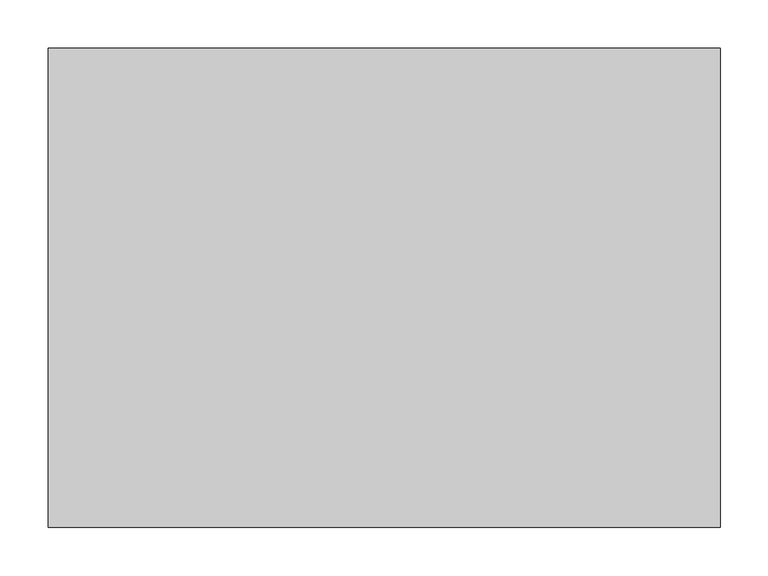
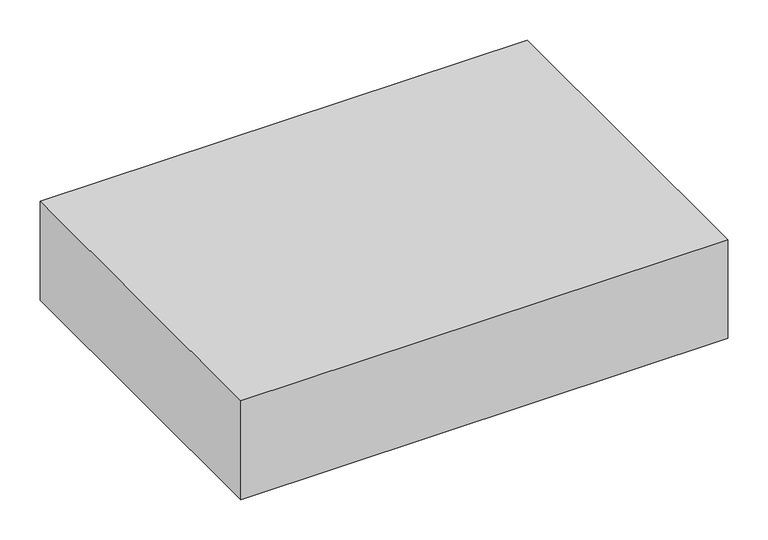
"""IFC4 building model written with IfcOpenShell, lengths in millimetres: proxy geometry."""

from ifc_helpers import new_model, si_unit, frame, origin, place, context, project, spatial, polyline, outline, extrude, source, transform, mapped, element, save


def generic_models_e5035c77(model_context):
    return source(origin(), model_context, "Body", "SweptSolid", [
        extrude(outline(polyline([(700.0, 500.0), (700.0, 0.0), (0.0, 0.0), (0.0, 500.0), (700.0, 500.0)])), frame((0.0, 0.0, 900.0), z_axis=(0.0, 0.0, 1.0), x_axis=(1.0, 0.0, 0.0)), (0.0, 0.0, 1.0), 150.0),
    ])


if __name__ == "__main__":
    model = new_model("IFC4")
    model_context = context("Model", 3, world=origin())
    ifc_project = project(units=[si_unit("LENGTHUNIT", "METRE", prefix="MILLI")], contexts=[model_context])
    site = spatial("IfcSite", under=ifc_project)
    building = spatial("IfcBuilding", under=site)
    placement = place(None, origin())
    generic_models_shape = generic_models_e5035c77(model_context)
    element("IfcBuildingElementProxy", 1, Name="Generic Models", at=placement, inside=building, context=model_context, shape_type="MappedRepresentation", body=[
        mapped(generic_models_shape, transform((0.0, 0.0, 0.0), x_axis=(1.0, 0.0, 0.0), y_axis=(0.0, 1.0, 0.0), z_axis=(0.0, 0.0, 1.0))),
    ])
    save(model, "model.ifc")
